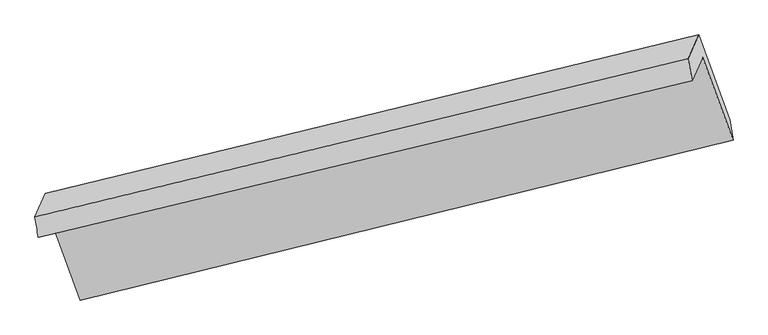
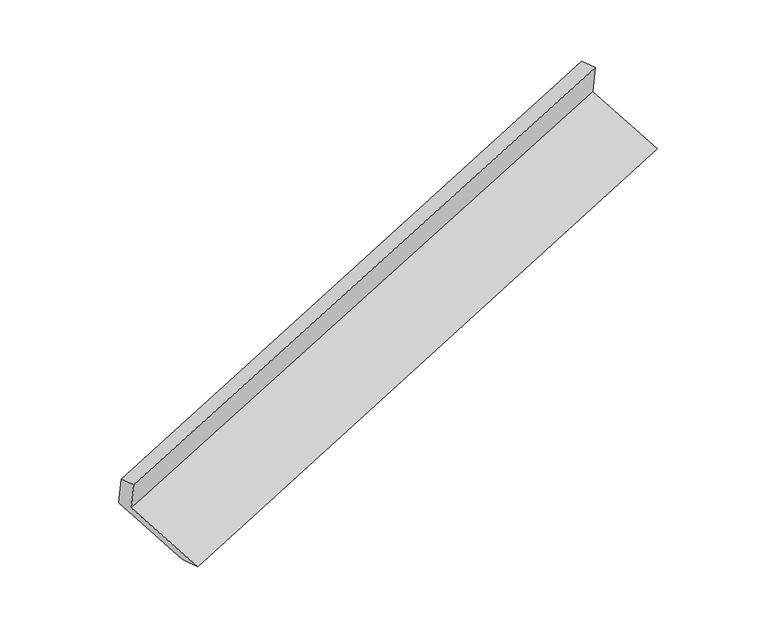
"""IFC4 building model written with IfcOpenShell, lengths in millimetres: proxy geometry."""

from ifc_helpers import new_model, si_unit, frame, origin, place, context, project, spatial, source, transform, mapped, element, save
from ifc_brep_helpers import plane_surface, spline_surface, advanced_brep


def generic_models_7d9ee104(model_context):
    return source(origin(), model_context, "Body", "AdvancedBrep", [
        advanced_brep(
        [(-5175.8696762, -1880.2378741, 1169.2411228), (-4956.1905988, -2478.1050139, 927.2652031), (-403.4851017, -1361.2908286, 2414.6145212), (-616.6116068, -781.2568285, 2649.3727999), (-5247.0819683, -2040.8927584, 1501.5321443), (-689.7183622, -946.1856206, 2990.5037717), (-5271.1626178, -1897.1958741, 1472.0819036), (-717.023121, -793.7141681, 2964.6048789), (-5199.0285193, -1734.4613953, 1135.4895464), (-642.9945593, -626.7057815, 2619.1725714), (-4987.7736047, -2309.4017723, 902.7928196), (-425.291426, -1219.1952948, 2379.3731488)],
        [
            (0, 1),
            (1, 2),
            (2, 3),
            (3, 0),
            (4, 0),
            (3, 5),
            (5, 4),
            (6, 4),
            (5, 7),
            (7, 6),
            (8, 6),
            (7, 9),
            (9, 8),
            (10, 8),
            (9, 11),
            (11, 10),
            (1, 10),
            (11, 2),
        ],
        [
            plane_surface(frame((-5066.0301375, -2179.171444, 1048.253163), z_axis=(-0.18472914277476077, -0.42627841339866, 0.8855291401642428), x_axis=(0.32241093652419067, -0.8774568190737166, -0.35513478944005067))),
            plane_surface(frame((-5211.4758222, -1960.5653163, 1335.3866336), z_axis=(0.32618007382622216, -0.8765640827583169, -0.3538954199432242), x_axis=(0.1894463231727002, 0.42739078071244657, -0.8839950289443659))),
            spline_surface(1, 1, [[(-5271.1626178, -1897.1958741, 1472.0819036), (-717.023121, -793.7141681, 2964.6048789)], [(-5247.0819683, -2040.8927584, 1501.5321443), (-689.7183622, -946.1856206, 2990.5037717)]], [2, 2], [2, 2], [0.0, 1.0], [0.0, 1.0]),
            plane_surface(frame((-5235.0955686, -1815.8286347, 1303.785725), z_axis=(-0.32806258440435054, 0.8761122863514078, 0.35327355182357967), x_axis=(-0.1894463231726531, -0.42739078071244224, 0.8839950289443781))),
            plane_surface(frame((-5093.401062, -2021.9315838, 1019.141183), z_axis=(0.1847291427747586, 0.4262784133986646, -0.885529140164241), x_axis=(-0.3224109365241952, 0.8774568190737135, 0.3551347894400543))),
            spline_surface(1, 1, [[(-4956.1905988, -2478.1050139, 927.2652031), (-403.4851017, -1361.2908286, 2414.6145212)], [(-4987.7736047, -2309.4017723, 902.7928196), (-425.291426, -1219.1952948, 2379.3731488)]], [2, 2], [2, 2], [0.0, 1.0], [0.0, 1.0]),
            plane_surface(frame((-582.5206962, -954.7247537, 2669.6069486), z_axis=(0.927448801091445, 0.21773068507457183, 0.3040264299875902), x_axis=(-0.1894463231726531, -0.42739078071244224, 0.8839950289443781))),
            plane_surface(frame((-5139.5178308, -2056.7157814, 1184.73379), z_axis=(-0.9274488010914372, -0.2177306850745518, -0.3040264299876281), x_axis=(-0.32241093652418784, 0.8774568190737154, 0.35513478944005644))),
        ],
        [
            (0, [[1, 2, 3, 4]]),
            (1, [[5, -4, 6, 7]]),
            (2, [[8, -7, 9, 10]]),
            (3, [[11, -10, 12, 13]]),
            (4, [[14, -13, 15, 16]]),
            (5, [[17, -16, 18, -2]]),
            (6, [[-12, -9, -6, -3, -18, -15]]),
            (7, [[-1, -5, -8, -11, -14, -17]]),
        ],
    ),
    ])


if __name__ == "__main__":
    model = new_model("IFC4")
    model_context = context("Model", 3, world=origin())
    ifc_project = project(units=[si_unit("LENGTHUNIT", "METRE", prefix="MILLI")], contexts=[model_context])
    site = spatial("IfcSite", under=ifc_project)
    building = spatial("IfcBuilding", under=site)
    placement = place(None, origin())
    generic_models_shape = generic_models_7d9ee104(model_context)
    element("IfcBuildingElementProxy", 1, Name="Generic Models", at=placement, inside=building, context=model_context, shape_type="MappedRepresentation", body=[
        mapped(generic_models_shape, transform((0.0, 0.0, 0.0), x_axis=(1.0, 0.0, 0.0), y_axis=(0.0, 1.0, 0.0), z_axis=(0.0, 0.0, 1.0))),
    ])
    save(model, "model.ifc")
